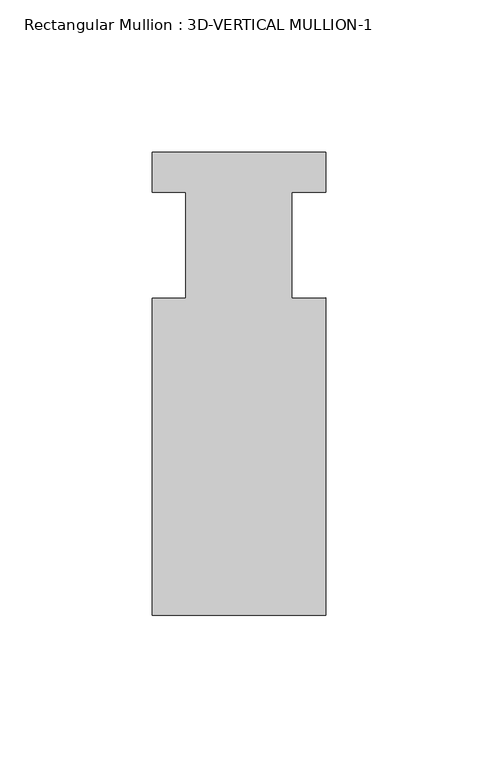
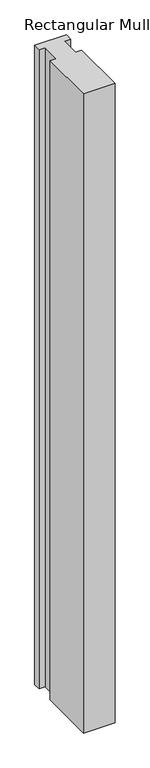
"""IFC4 building model written with IfcOpenShell, lengths in millimetres: member geometry, Rectangular Mullion : 3D-VERTICAL MULLION-1."""

from ifc_helpers import new_model, si_unit, frame, origin, place, context, project, spatial, polyline, outline, extrude, source, transform, mapped, element, save


def rectangular_mullion_3d_vertical_mullion_1_8ea70139(model_context):
    return source(origin(), model_context, "Body", "SweptSolid", [
        extrude(outline(polyline([(28.575, -76.2), (-28.575, -76.2), (-28.575, 28.0416), (-17.4625, 28.0416), (-17.4625, 63.0047), (-28.575, 63.0047), (-28.575, 76.2), (28.575, 76.2), (28.575, 63.0047), (17.4625, 63.0047), (17.4625, 28.1645071), (28.575, 28.2698389), (28.575, -76.2)])), frame((0.0, 0.0, -1219.2), z_axis=(0.0, 0.0, 1.0), x_axis=(1.0, 0.0, 0.0)), (0.0, 0.0, 1.0), 1219.2),
    ])


if __name__ == "__main__":
    model = new_model("IFC4")
    model_context = context("Model", 3, world=origin())
    ifc_project = project(units=[si_unit("LENGTHUNIT", "METRE", prefix="MILLI")], contexts=[model_context])
    site = spatial("IfcSite", under=ifc_project)
    building = spatial("IfcBuilding", under=site)
    placement = place(None, origin())
    rectangular_mullion_3d_vertical_mullion_1_shape = rectangular_mullion_3d_vertical_mullion_1_8ea70139(model_context)
    element("IfcMember", 1, ObjectType="Rectangular Mullion : 3D-VERTICAL MULLION-1", at=placement, inside=building, context=model_context, shape_type="MappedRepresentation", body=[
        mapped(rectangular_mullion_3d_vertical_mullion_1_shape, transform((0.0, 0.0, 0.0), x_axis=(1.0, 0.0, 0.0), y_axis=(0.0, 1.0, 0.0), z_axis=(0.0, 0.0, 1.0))),
    ])
    save(model, "model.ifc")
